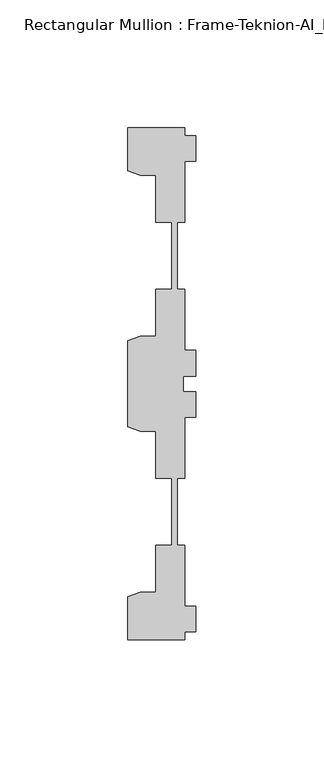
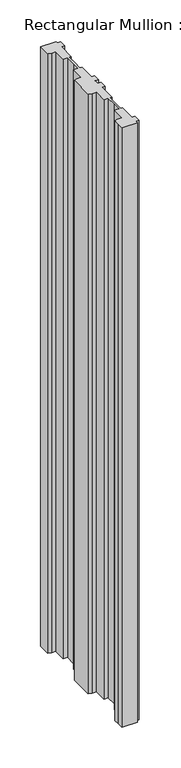
"""IFC4 building model written with IfcOpenShell, lengths in millimetres: member geometry, Rectangular Mullion : Frame-Teknion-AI_Healthcare-Ceiling_Double_Channel."""

from ifc_helpers import new_model, si_unit, frame, origin, place, context, project, spatial, polyline, outline, extrude, source, transform, mapped, element, save


def rectangular_mullion_frame_teknion_ai_healthcare_ceiling_0d31ea72(model_context):
    return source(origin(), model_context, "Body", "SweptSolid", [
        extrude(outline(polyline([(-4.2672007, 100.0110586), (-4.2672007, 96.9534451), (0.0, 96.9534451), (0.0, 86.9534377), (-4.2672007, 86.9534377), (-4.2672007, 63.0824429), (-7.1647766, 63.0824429), (-7.1647766, 48.9859882), (-7.1647766, 36.9204406), (-4.2672007, 36.9204406), (-4.2672007, 13.0494413), (0.0, 13.0494413), (0.0, 3.0494419), (-4.7752002, 3.0494419), (-4.7752002, 0.0), (-4.7752002, -3.0494419), (0.0, -3.0494419), (0.0, -13.0494413), (-4.2672007, -13.0494413), (-4.2672007, -36.9204406), (-7.1647766, -36.9204406), (-7.1647766, -50.7500324), (-7.1647766, -63.0824429), (-4.2672007, -63.0824429), (-4.2672007, -86.9534377), (0.0, -86.9534377), (0.0, -96.9534451), (-4.2672007, -96.9534451), (-4.2672007, -100.0014421), (-26.4921999, -100.0014421), (-26.4921999, -90.2224424), (-26.4921999, -83.1915336), (-21.6625199, -81.4594689), (-15.6737764, -81.4594689), (-15.6737764, -63.0824429), (-9.4507761, -63.0824429), (-9.4507761, -50.8315128), (-9.4507761, -36.9204406), (-15.6737764, -36.9204406), (-15.6737764, -18.5434146), (-21.6625199, -18.5434146), (-26.4921999, -16.8113452), (-26.4921999, 16.8113452), (-21.6357055, 18.5530311), (-15.6737764, 18.5530311), (-15.6737764, 36.9300571), (-9.4507761, 36.9300571), (-9.4507761, 47.8659877), (-9.4507761, 63.0920594), (-15.6737764, 63.0920594), (-15.6737764, 81.4690854), (-21.6625199, 81.4690854), (-26.4921999, 83.20115), (-26.4921999, 100.0110586), (-4.2672007, 100.0110586)])), frame((0.0, 0.0, -899.6023403), z_axis=(0.0, 0.0, 1.0), x_axis=(1.0, 0.0, 0.0)), (0.0, 0.0, 1.0), 899.6023403),
    ])


if __name__ == "__main__":
    model = new_model("IFC4")
    model_context = context("Model", 3, world=origin())
    ifc_project = project(units=[si_unit("LENGTHUNIT", "METRE", prefix="MILLI")], contexts=[model_context])
    site = spatial("IfcSite", under=ifc_project)
    building = spatial("IfcBuilding", under=site)
    placement = place(None, origin())
    rectangular_mullion_frame_teknion_ai_healthcare_ceiling_shape = rectangular_mullion_frame_teknion_ai_healthcare_ceiling_0d31ea72(model_context)
    element("IfcMember", 1, ObjectType="Rectangular Mullion : Frame-Teknion-AI_Healthcare-Ceiling_Double_Channel", at=placement, inside=building, context=model_context, shape_type="MappedRepresentation", body=[
        mapped(rectangular_mullion_frame_teknion_ai_healthcare_ceiling_shape, transform((0.0, 0.0, 0.0), x_axis=(1.0, 0.0, 0.0), y_axis=(0.0, 1.0, 0.0), z_axis=(0.0, 0.0, 1.0))),
    ])
    save(model, "model.ifc")
